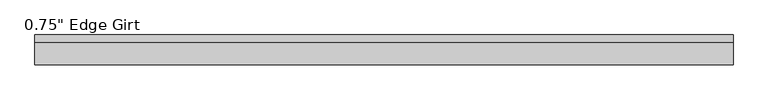
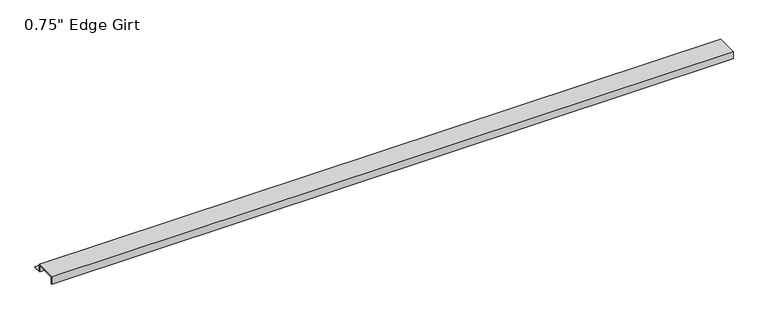
"""IFC4 building model written with IfcOpenShell, lengths in millimetres: proxy geometry."""

from ifc_helpers import new_model, si_unit, frame, origin, place, context, project, spatial, polyline, outline, extrude, source, transform, mapped, element, save


def proxy_e5409028(model_context):
    return source(origin(), model_context, "Body", "SweptSolid", [
        extrude(outline(polyline([(46.0559645, -17.4375), (25.4, -17.4375), (25.4, 0.0), (-25.4, 0.0), (-25.4, -17.4375), (-27.0129, -17.4375), (-27.0129, 1.6129), (27.0129, 1.6129), (27.0129, -15.8242), (46.0559645, -15.8242), (46.0559645, -17.4375)])), frame((0.0, 0.0, 0.0), z_axis=(1.0, 0.0, 0.0), x_axis=(0.0, 1.0, 0.0)), (0.0, 0.0, 1.0), 1698.6255),
    ])


if __name__ == "__main__":
    model = new_model("IFC4")
    model_context = context("Model", 3, world=origin())
    ifc_project = project(units=[si_unit("LENGTHUNIT", "METRE", prefix="MILLI")], contexts=[model_context])
    site = spatial("IfcSite", under=ifc_project)
    building = spatial("IfcBuilding", under=site)
    placement = place(None, origin())
    proxy_shape = proxy_e5409028(model_context)
    element("IfcBuildingElementProxy", 1, Name="0.75\" Edge Girt", ObjectType="0.75\" Edge Girt", at=placement, inside=building, context=model_context, shape_type="MappedRepresentation", body=[
        mapped(proxy_shape, transform((0.0, 0.0, 0.0), x_axis=(1.0, 0.0, 0.0), y_axis=(0.0, 1.0, 0.0), z_axis=(0.0, 0.0, 1.0))),
    ])
    save(model, "model.ifc")
